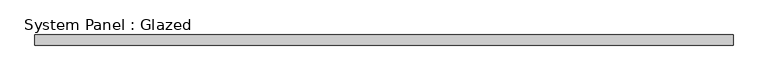
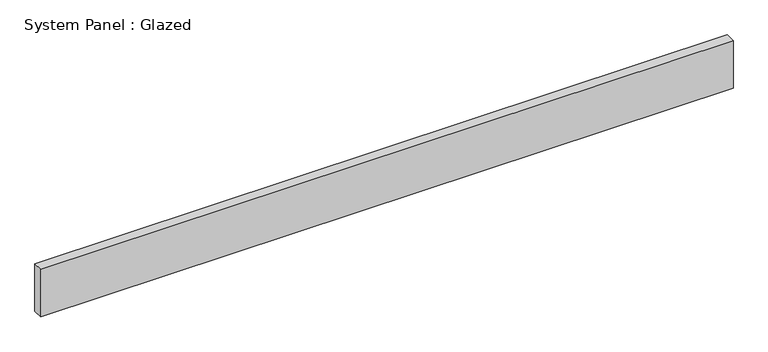
"""IFC4 building model written with IfcOpenShell, lengths in millimetres: plate geometry, System Panel : Glazed."""

import ifcopenshell
import ifcopenshell.guid

model = None  # the IFC model being written
_history = None  # IfcOwnerHistory: only IFC2X3 demands one
_inside = {}  # id of a spatial element -> (the spatial element, [elements in it])
_under = {}  # id of a project, library or spatial element -> (it, [spatial elements below it])
_declared = {}  # id of a project -> (the project, [libraries it declares])
_typed = {}  # id of a type object -> (the type object, [elements of that type])
_made_of = {}  # id of a material, layer set ... -> (it, [elements and type objects made of it])


def new_model(schema):
    """Start an empty IFC model of exactly this schema.

    Asked for "IFC4X3", IfcOpenShell would pick the latest addendum, in which some entities
    have other attributes; the version numbers below select the first issue.
    IFC2X3 requires an IfcOwnerHistory on every rooted entity: one is made here for all.
    """
    global model, _history
    if schema == "IFC4X3":
        model = ifcopenshell.file(schema_version=(4, 3, 0, 0))
    else:
        model = ifcopenshell.file(schema=schema)
    _inside.clear()
    _under.clear()
    _declared.clear()
    _typed.clear()
    _made_of.clear()
    _history = None
    if model.schema == "IFC2X3":
        org = make("IfcOrganization", Name="unknown")
        user = make(
            "IfcPersonAndOrganization",
            ThePerson=make("IfcPerson", FamilyName="unknown"),
            TheOrganization=org,
        )
        app = make(
            "IfcApplication",
            ApplicationDeveloper=org,
            Version="unknown",
            ApplicationFullName="unknown",
            ApplicationIdentifier="unknown",
        )
        _history = make(
            "IfcOwnerHistory",
            OwningUser=user,
            OwningApplication=app,
            ChangeAction="ADDED",
            CreationDate=0,
        )
    return model


def make(cls, **values):
    """One entity of the class cls with the attributes given. An attribute that is None is left unset."""
    return model.create_entity(
        cls, **{name: value for name, value in values.items() if value is not None}
    )


def rooted(cls, **values):
    """An entity with a GlobalId (a new one), such as an element, a storey or a relation."""
    return make(cls, GlobalId=ifcopenshell.guid.new(), OwnerHistory=_history, **values)


def si_unit(unit_type, name, prefix=None):
    """IfcSIUnit, for example si_unit("LENGTHUNIT", "METRE", prefix="MILLI")."""
    return make("IfcSIUnit", UnitType=unit_type, Prefix=prefix, Name=name)


def assignment(units):
    """IfcUnitAssignment: the units of a project."""
    return None if units is None else make("IfcUnitAssignment", Units=units)


def point(xyz):
    """IfcCartesianPoint."""
    return None if xyz is None else make("IfcCartesianPoint", Coordinates=xyz)


def direction(xyz):
    """IfcDirection."""
    return None if xyz is None else make("IfcDirection", DirectionRatios=xyz)


def frame(location, z_axis=None, x_axis=None):
    """IfcAxis2Placement3D, a coordinate frame: its origin and axes. An axis left out is left unset."""
    return make(
        "IfcAxis2Placement3D",
        Location=point(location),
        Axis=direction(z_axis),
        RefDirection=direction(x_axis),
    )


def origin():
    """The frame at (0, 0, 0) with its axes left unset."""
    return frame((0.0, 0.0, 0.0))


def origin_with_axes():
    """The frame at (0, 0, 0) with the z axis (0, 0, 1) and the x axis (1, 0, 0) written out."""
    return frame((0.0, 0.0, 0.0), z_axis=(0.0, 0.0, 1.0), x_axis=(1.0, 0.0, 0.0))


def place(relative_to, where):
    """IfcLocalPlacement: puts the frame where relative to a parent placement (None: the world)."""
    return make(
        "IfcLocalPlacement", PlacementRelTo=relative_to, RelativePlacement=where
    )


def context(
    kind, dimensions, precision=None, world=None, true_north=None, identifier=None
):
    """IfcGeometricRepresentationContext, for example the 3D "Model" context."""
    return make(
        "IfcGeometricRepresentationContext",
        ContextIdentifier=identifier,
        ContextType=kind,
        CoordinateSpaceDimension=dimensions,
        Precision=precision,
        WorldCoordinateSystem=world,
        TrueNorth=true_north,
    )


def project(units=None, contexts=None):
    """IfcProject with its units and contexts."""
    return rooted(
        "IfcProject",
        Name="project",
        RepresentationContexts=contexts,
        UnitsInContext=assignment(units),
    )


def spatial(cls, under=None, at=None, **own):
    """A site, building, storey or space (cls), placed at a placement, below another one or the project."""
    s = rooted(cls, ObjectPlacement=at, **own)
    if under is not None:
        _under.setdefault(under.id(), (under, []))[1].append(s)
    return s


def polyline(points):
    """IfcPolyline through the points."""
    return make("IfcPolyline", Points=[point(p) for p in points])


def outline(outer, holes=None, kind="AREA"):
    """IfcArbitraryClosedProfileDef: a profile drawn as a closed curve; with holes, ...WithVoids."""
    if holes is None:
        return make("IfcArbitraryClosedProfileDef", ProfileType=kind, OuterCurve=outer)
    return make(
        "IfcArbitraryProfileDefWithVoids",
        ProfileType=kind,
        OuterCurve=outer,
        InnerCurves=holes,
    )


def extrude(swept, where, along, depth):
    """IfcExtrudedAreaSolid: the profile swept, set in the frame where, extruded along a direction by depth."""
    return make(
        "IfcExtrudedAreaSolid",
        SweptArea=swept,
        Position=where,
        ExtrudedDirection=direction(along),
        Depth=depth,
    )


def shape(context_of_items, identifier, shape_type, items):
    """IfcShapeRepresentation: the items that make up one representation, for example the "Body"."""
    return make(
        "IfcShapeRepresentation",
        ContextOfItems=context_of_items,
        RepresentationIdentifier=identifier,
        RepresentationType=shape_type,
        Items=items,
    )


def source(mapping_origin, context_of_items, identifier, shape_type, items):
    """IfcRepresentationMap: a shape defined once, which mapped items show again and again."""
    return make(
        "IfcRepresentationMap",
        MappingOrigin=mapping_origin,
        MappedRepresentation=shape(context_of_items, identifier, shape_type, items),
    )


def transform(
    local_origin,
    x_axis=None,
    y_axis=None,
    z_axis=None,
    scale=None,
    scale2=None,
    scale3=None,
    uniform=True,
):
    """IfcCartesianTransformationOperator3D, or its non-uniform kind. x_axis, y_axis, z_axis: its Axis1, 2, 3."""
    if uniform:
        return make(
            "IfcCartesianTransformationOperator3D",
            Axis1=direction(x_axis),
            Axis2=direction(y_axis),
            LocalOrigin=point(local_origin),
            Scale=scale,
            Axis3=direction(z_axis),
        )
    return make(
        "IfcCartesianTransformationOperator3DnonUniform",
        Axis1=direction(x_axis),
        Axis2=direction(y_axis),
        LocalOrigin=point(local_origin),
        Scale=scale,
        Axis3=direction(z_axis),
        Scale2=scale2,
        Scale3=scale3,
    )


def mapped(mapping_source, mapping_target):
    """IfcMappedItem: shows the shape of a source again, moved by a transform."""
    return make(
        "IfcMappedItem", MappingSource=mapping_source, MappingTarget=mapping_target
    )


def made_of(thing, what):
    """Note that an element or type object is made of a material, layer set ...; save() writes the relation."""
    if what is not None:
        _made_of.setdefault(what.id(), (what, []))[1].append(thing)
    return thing


def element(
    cls,
    number,
    at=None,
    inside=None,
    cuts=None,
    type_object=None,
    material=None,
    context=None,
    identifier="Body",
    shape_type=None,
    held_by="IfcProductDefinitionShape",
    body=None,
    shapes=None,
    **own,
):
    """One element of the class cls, such as IfcWall. Its Tag is "e" and its number.

    at: its placement. inside: the storey or other place that contains it. cuts: it is an
    opening in that element (IfcRelVoidsElement). A single representation is given by context,
    identifier, shape_type and body (its items); several are given by shapes. held_by: the class
    of the entity that holds the representations. save() writes the other relations.
    """
    e = rooted(cls, Tag="e%d" % number, ObjectPlacement=at, **own)
    if body is not None:
        shapes = [shape(context, identifier, shape_type, body)]
    if shapes is not None:
        e.Representation = make(held_by, Representations=shapes)
    if inside is not None:
        _inside.setdefault(inside.id(), (inside, []))[1].append(e)
    if cuts is not None:
        rooted(
            "IfcRelVoidsElement", RelatingBuildingElement=cuts, RelatedOpeningElement=e
        )
    if type_object is not None:
        _typed.setdefault(type_object.id(), (type_object, []))[1].append(e)
    return made_of(e, material)


def aggregate(whole, parts):
    """IfcRelAggregates: a whole, such as a stair, and the parts it consists of."""
    return rooted("IfcRelAggregates", RelatingObject=whole, RelatedObjects=parts)


def save(model, path):
    """Write the relations noted so far, then the file.

    IfcRelAggregates (storeys below a building ...), IfcRelContainedInSpatialStructure (elements
    in a storey), IfcRelDefinesByType, IfcRelAssociatesMaterial and IfcRelDeclares: one each for
    every whole, place, type object, material and project.
    """
    for whole, parts in _under.values():
        aggregate(whole, parts)
    for where, things in _inside.values():
        rooted(
            "IfcRelContainedInSpatialStructure",
            RelatedElements=things,
            RelatingStructure=where,
        )
    for kind, things in _typed.values():
        rooted("IfcRelDefinesByType", RelatedObjects=things, RelatingType=kind)
    for what, things in _made_of.values():
        rooted("IfcRelAssociatesMaterial", RelatedObjects=things, RelatingMaterial=what)
    for by, libraries in _declared.values():
        rooted("IfcRelDeclares", RelatingContext=by, RelatedDefinitions=libraries)
    model.write(path)


def system_panel_glazed_9f388a33(model_context):
    return source(origin(), model_context, "Body", "SweptSolid", [
        extrude(outline(polyline([(876.3, -12.7), (-876.3, -12.7), (-876.3, 12.7), (876.3, 12.7), (876.3, -12.7)])), origin_with_axes(), (0.0, 0.0, 1.0), 127.0),
    ])


if __name__ == "__main__":
    model = new_model("IFC4")
    model_context = context("Model", 3, world=origin())
    ifc_project = project(units=[si_unit("LENGTHUNIT", "METRE", prefix="MILLI")], contexts=[model_context])
    site = spatial("IfcSite", under=ifc_project)
    building = spatial("IfcBuilding", under=site)
    placement = place(None, origin())
    system_panel_glazed_shape = system_panel_glazed_9f388a33(model_context)
    element("IfcPlate", 1, ObjectType="System Panel : Glazed", at=placement, inside=building, context=model_context, shape_type="MappedRepresentation", body=[
        mapped(system_panel_glazed_shape, transform((0.0, 0.0, 0.0), x_axis=(1.0, 0.0, 0.0), y_axis=(0.0, 1.0, 0.0), z_axis=(0.0, 0.0, 1.0))),
    ])
    save(model, "model.ifc")
